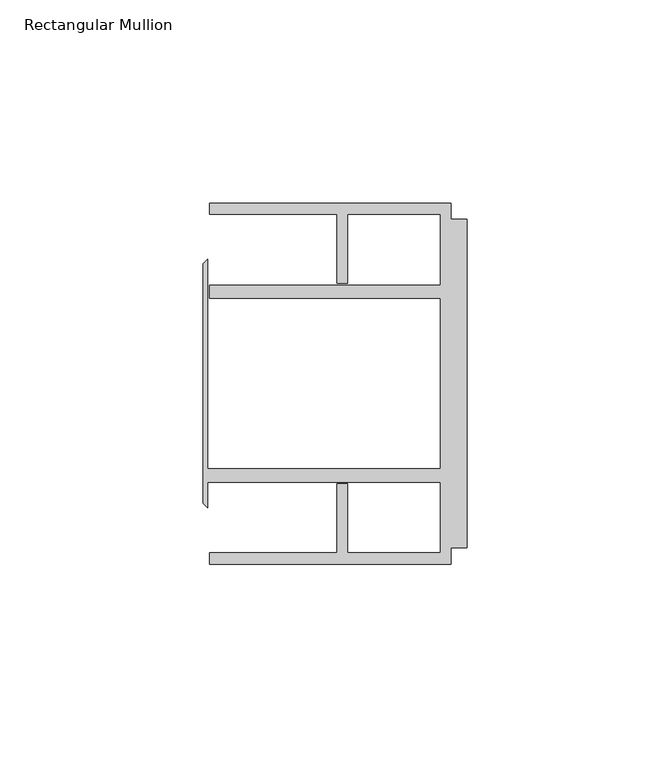
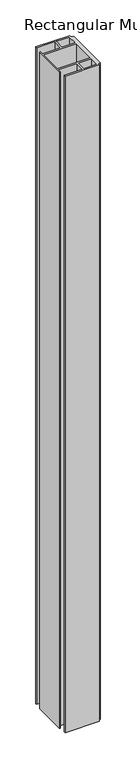
"""IFC4 building model written with IfcOpenShell, lengths in millimetres: member geometry, Rectangular Mullion."""

from ifc_helpers import new_model, si_unit, frame, origin, place, context, project, spatial, polyline, outline, extrude, source, transform, mapped, element, save


def rectangular_mullion_989431d2(model_context):
    return source(origin(), model_context, "Body", "SweptSolid", [
        extrude(outline(polyline([(-4.0000001, 44.45), (-4.0000001, 40.4500013), (0.0, 40.4500013), (0.0, -40.4500013), (-4.0000001, -40.4500013), (-4.0000001, -44.45), (-63.5, -44.45), (-63.5, -41.6500013), (-32.0000002, -41.6500013), (-32.0000002, -24.6468758), (-29.4000001, -24.6468758), (-29.4000001, -41.6500013), (-6.6000002, -41.6500013), (-6.6000002, -24.2500008), (-63.9424102, -24.2500008), (-63.9424102, -30.6159585), (-65.0875, -29.4708687), (-65.0875, 29.4708687), (-63.9424102, 30.6159585), (-63.9424102, -20.9500007), (-6.6000002, -20.9500007), (-6.6000002, 20.9500007), (-63.5, 20.9500007), (-63.5, 24.2500008), (-6.6000002, 24.2500008), (-6.6000002, 41.6500013), (-29.4000001, 41.6500013), (-29.4000001, 24.6468758), (-32.0000002, 24.6468758), (-32.0000002, 41.6500013), (-63.5, 41.6500013), (-63.5, 44.45), (-4.0000001, 44.45)])), frame((0.0, 0.0, -1209.7412717), z_axis=(0.0, 0.0, 1.0), x_axis=(1.0, 0.0, 0.0)), (0.0, 0.0, 1.0), 1209.7412717),
    ])


if __name__ == "__main__":
    model = new_model("IFC4")
    model_context = context("Model", 3, world=origin())
    ifc_project = project(units=[si_unit("LENGTHUNIT", "METRE", prefix="MILLI")], contexts=[model_context])
    site = spatial("IfcSite", under=ifc_project)
    building = spatial("IfcBuilding", under=site)
    placement = place(None, origin())
    rectangular_mullion_shape = rectangular_mullion_989431d2(model_context)
    element("IfcMember", 1, ObjectType="Rectangular Mullion", at=placement, inside=building, context=model_context, shape_type="MappedRepresentation", body=[
        mapped(rectangular_mullion_shape, transform((0.0, 0.0, 0.0), x_axis=(1.0, 0.0, 0.0), y_axis=(0.0, 1.0, 0.0), z_axis=(0.0, 0.0, 1.0))),
    ])
    save(model, "model.ifc")
